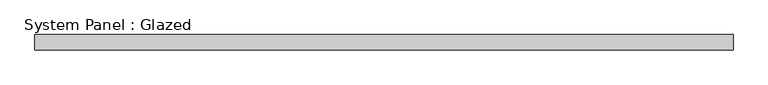
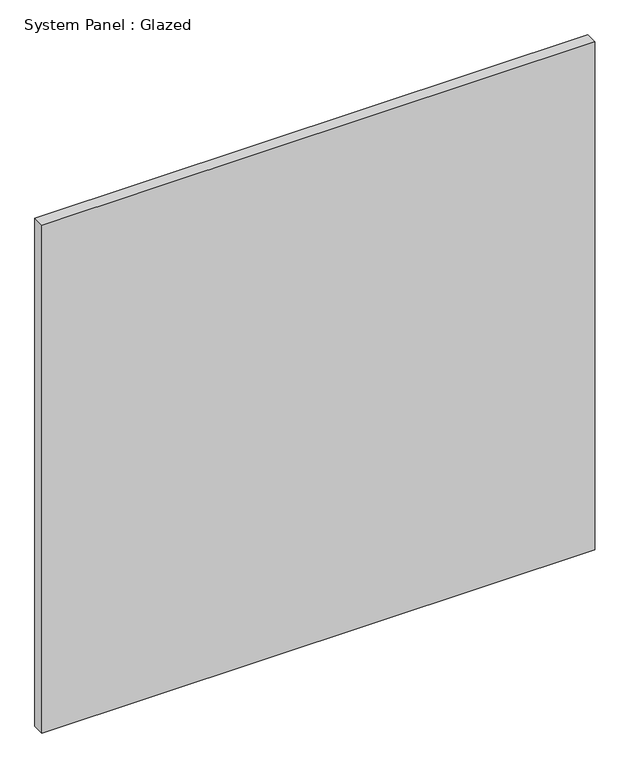
"""IFC4 building model written with IfcOpenShell, lengths in millimetres: plate geometry, System Panel : Glazed."""

from ifc_helpers import new_model, si_unit, origin, origin_with_axes, place, context, project, spatial, polyline, outline, extrude, source, transform, mapped, element, save


def system_panel_glazed_ff647496(model_context):
    return source(origin(), model_context, "Body", "SweptSolid", [
        extrude(outline(polyline([(578.64375, 19.05), (-578.64375, 19.05), (-578.64375, 44.45), (578.64375, 44.45), (578.64375, 19.05)])), origin_with_axes(), (0.0, 0.0, 1.0), 1123.95),
    ])


if __name__ == "__main__":
    model = new_model("IFC4")
    model_context = context("Model", 3, world=origin())
    ifc_project = project(units=[si_unit("LENGTHUNIT", "METRE", prefix="MILLI")], contexts=[model_context])
    site = spatial("IfcSite", under=ifc_project)
    building = spatial("IfcBuilding", under=site)
    placement = place(None, origin())
    system_panel_glazed_shape = system_panel_glazed_ff647496(model_context)
    element("IfcPlate", 1, ObjectType="System Panel : Glazed", at=placement, inside=building, context=model_context, shape_type="MappedRepresentation", body=[
        mapped(system_panel_glazed_shape, transform((0.0, 0.0, 0.0), x_axis=(1.0, 0.0, 0.0), y_axis=(0.0, 1.0, 0.0), z_axis=(0.0, 0.0, 1.0))),
    ])
    save(model, "model.ifc")
